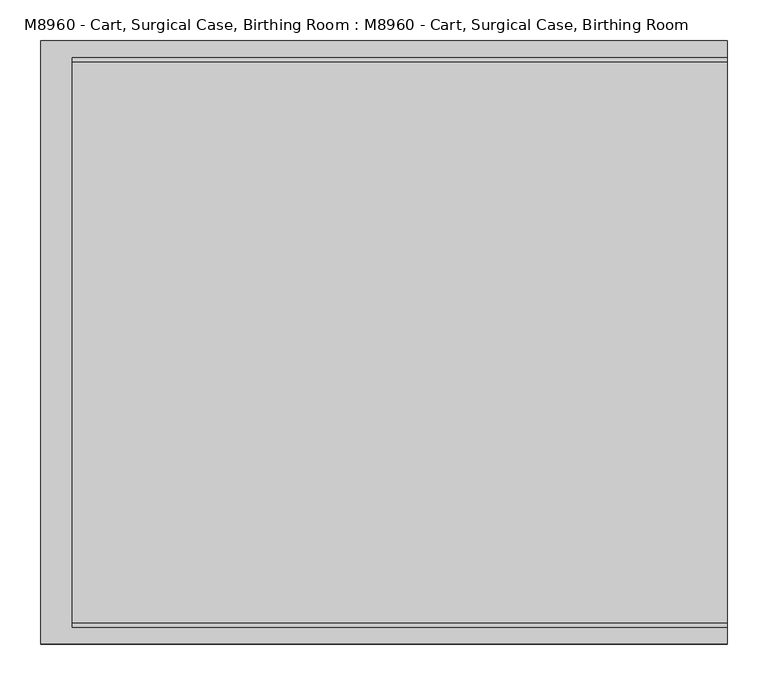
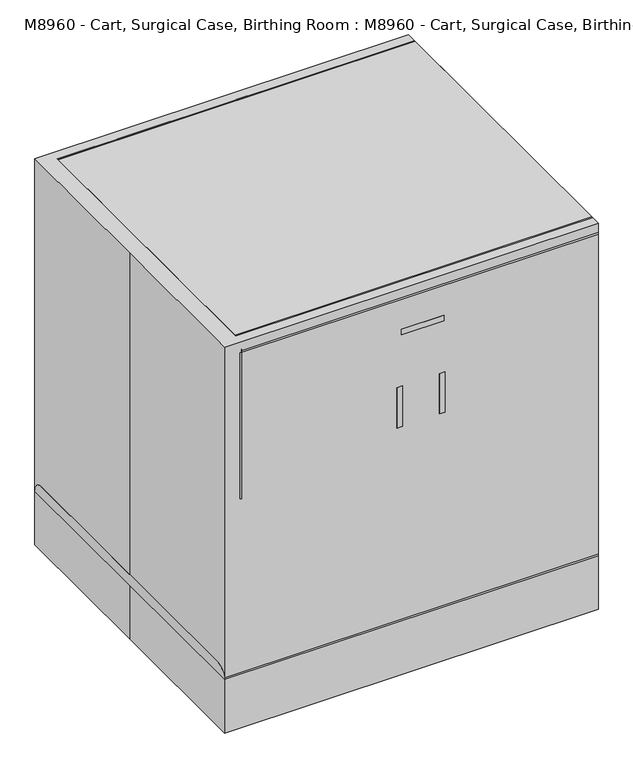
"""IFC4 building model written with IfcOpenShell, lengths in millimetres: proxy geometry, M8960 - Cart, Surgical Case, Birthing Room : M8960 - Cart, Surgical Case, Birthing Room."""

from ifc_helpers import new_model, si_unit, point, frame, frame_2d, origin, origin_with_axes, place, context, project, spatial, polyline, circle_curve, trimmed, segment, composite_curve, outline, extrude, source, transform, mapped, element, save


def m8960_cart_surgical_case_birthing_room_m8960_cart_surgical_49881326(model_context):
    return source(origin(), model_context, "Body", "SweptSolid", [
        extrude(outline(composite_curve([segment(trimmed(circle_curve(frame_2d((332.3166667, 288.9033546)), 16.9333333), [point((332.3166667, 305.8366879))], [point((332.3166667, 271.9700213))], False, "CARTESIAN"), True, "CONTINUOUS"), segment(trimmed(circle_curve(frame_2d((332.3166667, 288.9033546)), 16.9333333), [point((332.3166667, 271.9700213))], [point((332.3166667, 305.8366879))], False, "CARTESIAN"), True, "CONTINUOUS")], self_intersect=False)), frame((0.0, 0.0, 84.8149176), z_axis=(0.0, 0.0, 1.0), x_axis=(1.0, 0.0, 0.0)), (0.0, 0.0, 1.0), 42.1850824),
        extrude(outline(composite_curve([segment(trimmed(circle_curve(frame_2d((332.3166667, -285.7283546)), 16.9333333), [point((332.3166667, -302.6616879))], [point((332.3166667, -268.7950213))], False, "CARTESIAN"), True, "CONTINUOUS"), segment(trimmed(circle_curve(frame_2d((332.3166667, -285.7283546)), 16.9333333), [point((332.3166667, -268.7950213))], [point((332.3166667, -302.6616879))], False, "CARTESIAN"), True, "CONTINUOUS")], self_intersect=False)), frame((0.0, 0.0, 84.8149176), z_axis=(0.0, 0.0, 1.0), x_axis=(1.0, 0.0, 0.0)), (0.0, 0.0, 1.0), 42.1850824),
        extrude(outline(composite_curve([segment(trimmed(circle_curve(frame_2d((50.8, 349.25)), 50.8), [point((50.8, 298.45))], [point((50.8, 400.05))], False, "CARTESIAN"), True, "CONTINUOUS"), segment(trimmed(circle_curve(frame_2d((50.8, 349.25)), 50.8), [point((50.8, 400.05))], [point((50.8, 298.45))], False, "CARTESIAN"), True, "CONTINUOUS")], self_intersect=False)), frame((0.0, -266.7, 0.0), z_axis=(0.0, 1.0, 0.0), x_axis=(0.0, 0.0, 1.0)), (0.0, 0.0, 1.0), 19.05),
        extrude(outline(composite_curve([segment(trimmed(circle_curve(frame_2d((50.8, 349.25)), 50.8), [point((50.8, 298.45))], [point((50.8, 400.05))], False, "CARTESIAN"), True, "CONTINUOUS"), segment(trimmed(circle_curve(frame_2d((50.8, 349.25)), 50.8), [point((50.8, 400.05))], [point((50.8, 298.45))], False, "CARTESIAN"), True, "CONTINUOUS")], self_intersect=False)), frame((0.0, -323.85, 0.0), z_axis=(0.0, 1.0, 0.0), x_axis=(0.0, 0.0, 1.0)), (0.0, 0.0, 1.0), 19.05),
        extrude(outline(composite_curve([segment(trimmed(circle_curve(frame_2d((50.8, 349.25)), 33.8666667), [point((50.8, 383.1166667))], [point((50.8, 315.3833333))], False, "CARTESIAN"), True, "CONTINUOUS"), segment(trimmed(circle_curve(frame_2d((50.8, 349.25)), 33.8666667), [point((50.8, 315.3833333))], [point((50.8, 383.1166667))], False, "CARTESIAN"), True, "CONTINUOUS")], self_intersect=False)), frame((0.0, -304.8, 0.0), z_axis=(0.0, 1.0, 0.0), x_axis=(0.0, 0.0, 1.0)), (0.0, 0.0, 1.0), 38.1),
        extrude(outline(composite_curve([segment(trimmed(circle_curve(frame_2d((50.8, 349.25)), 50.8), [point((50.8, 298.45))], [point((50.8, 400.05))], False, "CARTESIAN"), True, "CONTINUOUS"), segment(trimmed(circle_curve(frame_2d((50.8, 349.25)), 50.8), [point((50.8, 400.05))], [point((50.8, 298.45))], False, "CARTESIAN"), True, "CONTINUOUS")], self_intersect=False)), frame((0.0, 250.6117179, 0.0), z_axis=(0.0, 1.0, 0.0), x_axis=(0.0, 0.0, 1.0)), (0.0, 0.0, 1.0), 19.05),
        extrude(outline(composite_curve([segment(trimmed(circle_curve(frame_2d((50.8, 349.25)), 50.8), [point((50.8, 298.45))], [point((50.8, 400.05))], False, "CARTESIAN"), True, "CONTINUOUS"), segment(trimmed(circle_curve(frame_2d((50.8, 349.25)), 50.8), [point((50.8, 400.05))], [point((50.8, 298.45))], False, "CARTESIAN"), True, "CONTINUOUS")], self_intersect=False)), frame((0.0, 307.7617179, 0.0), z_axis=(0.0, 1.0, 0.0), x_axis=(0.0, 0.0, 1.0)), (0.0, 0.0, 1.0), 19.05),
        extrude(outline(composite_curve([segment(trimmed(circle_curve(frame_2d((50.8, 349.25)), 33.8666667), [point((50.8, 383.1166667))], [point((50.8, 315.3833333))], False, "CARTESIAN"), True, "CONTINUOUS"), segment(trimmed(circle_curve(frame_2d((50.8, 349.25)), 33.8666667), [point((50.8, 315.3833333))], [point((50.8, 383.1166667))], False, "CARTESIAN"), True, "CONTINUOUS")], self_intersect=False)), frame((0.0, 269.6617179, 0.0), z_axis=(0.0, 1.0, 0.0), x_axis=(0.0, 0.0, 1.0)), (0.0, 0.0, 1.0), 38.1),
        extrude(outline(composite_curve([segment(trimmed(circle_curve(frame_2d((-328.0833333, 288.9033546)), 16.9333333), [point((-328.0833333, 305.8366879))], [point((-328.0833333, 271.9700213))], False, "CARTESIAN"), True, "CONTINUOUS"), segment(trimmed(circle_curve(frame_2d((-328.0833333, 288.9033546)), 16.9333333), [point((-328.0833333, 271.9700213))], [point((-328.0833333, 305.8366879))], False, "CARTESIAN"), True, "CONTINUOUS")], self_intersect=False)), frame((0.0, 0.0, 84.8149176), z_axis=(0.0, 0.0, 1.0), x_axis=(1.0, 0.0, 0.0)), (0.0, 0.0, 1.0), 42.1850824),
        extrude(outline(composite_curve([segment(trimmed(circle_curve(frame_2d((-328.0833333, -285.7283546)), 16.9333333), [point((-328.0833333, -302.6616879))], [point((-328.0833333, -268.7950213))], False, "CARTESIAN"), True, "CONTINUOUS"), segment(trimmed(circle_curve(frame_2d((-328.0833333, -285.7283546)), 16.9333333), [point((-328.0833333, -268.7950213))], [point((-328.0833333, -302.6616879))], False, "CARTESIAN"), True, "CONTINUOUS")], self_intersect=False)), frame((0.0, 0.0, 84.8149176), z_axis=(0.0, 0.0, 1.0), x_axis=(1.0, 0.0, 0.0)), (0.0, 0.0, 1.0), 42.1850824),
        extrude(outline(composite_curve([segment(trimmed(circle_curve(frame_2d((50.8, -311.15)), 50.8), [point((50.8, -361.95))], [point((50.8, -260.35))], False, "CARTESIAN"), True, "CONTINUOUS"), segment(trimmed(circle_curve(frame_2d((50.8, -311.15)), 50.8), [point((50.8, -260.35))], [point((50.8, -361.95))], False, "CARTESIAN"), True, "CONTINUOUS")], self_intersect=False)), frame((0.0, -266.7, 0.0), z_axis=(0.0, 1.0, 0.0), x_axis=(0.0, 0.0, 1.0)), (0.0, 0.0, 1.0), 19.05),
        extrude(outline(composite_curve([segment(trimmed(circle_curve(frame_2d((50.8, -311.15)), 50.8), [point((50.8, -361.95))], [point((50.8, -260.35))], False, "CARTESIAN"), True, "CONTINUOUS"), segment(trimmed(circle_curve(frame_2d((50.8, -311.15)), 50.8), [point((50.8, -260.35))], [point((50.8, -361.95))], False, "CARTESIAN"), True, "CONTINUOUS")], self_intersect=False)), frame((0.0, -323.85, 0.0), z_axis=(0.0, 1.0, 0.0), x_axis=(0.0, 0.0, 1.0)), (0.0, 0.0, 1.0), 19.05),
        extrude(outline(composite_curve([segment(trimmed(circle_curve(frame_2d((50.8, -311.15)), 33.8666667), [point((50.8, -277.2833333))], [point((50.8, -345.0166667))], False, "CARTESIAN"), True, "CONTINUOUS"), segment(trimmed(circle_curve(frame_2d((50.8, -311.15)), 33.8666667), [point((50.8, -345.0166667))], [point((50.8, -277.2833333))], False, "CARTESIAN"), True, "CONTINUOUS")], self_intersect=False)), frame((0.0, -304.8, 0.0), z_axis=(0.0, 1.0, 0.0), x_axis=(0.0, 0.0, 1.0)), (0.0, 0.0, 1.0), 38.1),
        extrude(outline(composite_curve([segment(trimmed(circle_curve(frame_2d((50.8, -311.15)), 50.8), [point((50.8, -361.95))], [point((50.8, -260.35))], False, "CARTESIAN"), True, "CONTINUOUS"), segment(trimmed(circle_curve(frame_2d((50.8, -311.15)), 50.8), [point((50.8, -260.35))], [point((50.8, -361.95))], False, "CARTESIAN"), True, "CONTINUOUS")], self_intersect=False)), frame((0.0, 250.6117179, 0.0), z_axis=(0.0, 1.0, 0.0), x_axis=(0.0, 0.0, 1.0)), (0.0, 0.0, 1.0), 19.05),
        extrude(outline(composite_curve([segment(trimmed(circle_curve(frame_2d((50.8, -311.15)), 50.8), [point((50.8, -361.95))], [point((50.8, -260.35))], False, "CARTESIAN"), True, "CONTINUOUS"), segment(trimmed(circle_curve(frame_2d((50.8, -311.15)), 50.8), [point((50.8, -260.35))], [point((50.8, -361.95))], False, "CARTESIAN"), True, "CONTINUOUS")], self_intersect=False)), frame((0.0, 307.7617179, 0.0), z_axis=(0.0, 1.0, 0.0), x_axis=(0.0, 0.0, 1.0)), (0.0, 0.0, 1.0), 19.05),
        extrude(outline(composite_curve([segment(trimmed(circle_curve(frame_2d((50.8, -311.15)), 33.8666667), [point((50.8, -277.2833333))], [point((50.8, -345.0166667))], False, "CARTESIAN"), True, "CONTINUOUS"), segment(trimmed(circle_curve(frame_2d((50.8, -311.15)), 33.8666667), [point((50.8, -345.0166667))], [point((50.8, -277.2833333))], False, "CARTESIAN"), True, "CONTINUOUS")], self_intersect=False)), frame((0.0, 269.6617179, 0.0), z_axis=(0.0, 1.0, 0.0), x_axis=(0.0, 0.0, 1.0)), (0.0, 0.0, 1.0), 38.1),
        extrude(outline(composite_curve([segment(polyline([(-406.4, -342.9), (-406.4, 342.9)]), True, "CONTINUOUS"), segment(trimmed(circle_curve(frame_2d((-381.0, 342.9)), 25.4), [point((-406.4, 342.9))], [point((-381.0, 368.3))], False, "CARTESIAN"), True, "CONTINUOUS"), segment(polyline([(-381.0, 368.3), (-381.0, -368.3)]), True, "CONTINUOUS"), segment(trimmed(circle_curve(frame_2d((-381.0, -342.9)), 25.4), [point((-381.0, -368.3))], [point((-406.4, -342.9))], False, "CARTESIAN"), True, "CONTINUOUS")], self_intersect=False)), frame((0.0, 0.0, 542.1710673), z_axis=(0.0, 0.0, 1.0), x_axis=(1.0, 0.0, 0.0)), (0.0, 0.0, 1.0), 346.8289327),
        extrude(outline(composite_curve([segment(polyline([(-342.9, 152.4), (342.9, 152.4)]), True, "CONTINUOUS"), segment(trimmed(circle_curve(frame_2d((342.9, 127.0)), 25.4), [point((342.9, 152.4))], [point((368.3, 127.0))], False, "CARTESIAN"), True, "CONTINUOUS"), segment(polyline([(368.3, 127.0), (-368.3, 127.0)]), True, "CONTINUOUS"), segment(trimmed(circle_curve(frame_2d((-342.9, 127.0)), 25.4), [point((-368.3, 127.0))], [point((-342.9, 152.4))], False, "CARTESIAN"), True, "CONTINUOUS")], self_intersect=False)), frame((-419.1, 0.0, 0.0), z_axis=(1.0, 0.0, 0.0), x_axis=(0.0, 1.0, 0.0)), (0.0, 0.0, 1.0), 838.2),
        extrude(outline(composite_curve([segment(polyline([(-342.9, 914.4), (342.9, 914.4)]), True, "CONTINUOUS"), segment(trimmed(circle_curve(frame_2d((342.9, 889.0)), 25.4), [point((342.9, 914.4))], [point((368.3, 889.0))], False, "CARTESIAN"), True, "CONTINUOUS"), segment(polyline([(368.3, 889.0), (-368.3, 889.0)]), True, "CONTINUOUS"), segment(trimmed(circle_curve(frame_2d((-342.9, 889.0)), 25.4), [point((-368.3, 889.0))], [point((-342.9, 914.4))], False, "CARTESIAN"), True, "CONTINUOUS")], self_intersect=False)), frame((-381.0, 0.0, 0.0), z_axis=(1.0, 0.0, 0.0), x_axis=(0.0, 1.0, 0.0)), (0.0, 0.0, 1.0), 800.1),
        extrude(outline(polyline([(19.8642031, -330.2), (-342.9, -330.2), (-342.9, -311.15), (19.8642031, -311.15), (19.8642031, -330.2)])), frame((0.0, 0.0, 152.4), z_axis=(0.0, 0.0, 1.0), x_axis=(1.0, 0.0, 0.0)), (0.0, 0.0, 1.0), 577.8825233),
        extrude(outline(polyline([(-22.225, -368.3), (-22.225, -330.2), (-9.5409299, -330.2), (-9.5409299, -355.6159299), (60.3409299, -355.6159299), (60.3409299, -330.2), (73.025, -330.2), (73.025, -368.3), (-22.225, -368.3)])), frame((0.0, 0.0, 804.8462383), z_axis=(0.0, 0.0, 1.0), x_axis=(1.0, 0.0, 0.0)), (0.0, 0.0, 1.0), 12.7),
        extrude(outline(polyline([(381.0, -330.2), (25.4, -330.2), (25.4, -311.15), (381.0, -311.15), (381.0, -330.2)])), frame((0.0, 0.0, 152.4), z_axis=(0.0, 0.0, 1.0), x_axis=(1.0, 0.0, 0.0)), (0.0, 0.0, 1.0), 577.8825233),
        extrude(outline(polyline([(-368.3, 587.3560937), (-368.3, 682.6060937), (-330.2, 682.6060937), (-330.2, 669.9220236), (-355.6159299, 669.9220236), (-355.6159299, 600.0401637), (-330.2, 600.0401637), (-330.2, 587.3560937), (-368.3, 587.3560937)])), frame((63.2065288, 0.0, 0.0), z_axis=(1.0, 0.0, 0.0), x_axis=(0.0, 1.0, 0.0)), (0.0, 0.0, 1.0), 12.7),
        extrude(outline(polyline([(-368.3, 587.3560937), (-368.3, 682.6060937), (-330.2, 682.6060937), (-330.2, 669.9220236), (-355.6159299, 669.9220236), (-355.6159299, 600.0401637), (-330.2, 600.0401637), (-330.2, 587.3560937), (-368.3, 587.3560937)])), frame((-32.0434712, 0.0, 0.0), z_axis=(1.0, 0.0, 0.0), x_axis=(0.0, 1.0, 0.0)), (0.0, 0.0, 1.0), 12.7),
        extrude(outline(polyline([(-419.1, 368.3), (419.1, 368.3), (419.1, -368.3), (-419.1, -368.3), (-419.1, 0.0), (-419.1, 368.3)])), origin_with_axes(), (0.0, 0.0, 1.0), 914.4),
        extrude(outline(polyline([(361.95, -311.15), (361.95, 311.15), (381.0, 311.15), (381.0, -311.15), (361.95, -311.15)])), frame((0.0, 0.0, 152.4), z_axis=(0.0, 0.0, 1.0), x_axis=(1.0, 0.0, 0.0)), (0.0, 0.0, 1.0), 736.6),
        extrude(outline(polyline([(-342.9, -311.15), (-342.9, 311.15), (-323.85, 311.15), (-323.85, -311.15), (-342.9, -311.15)])), frame((0.0, 0.0, 152.4), z_axis=(0.0, 0.0, 1.0), x_axis=(1.0, 0.0, 0.0)), (0.0, 0.0, 1.0), 736.6),
        extrude(outline(polyline([(381.0, -330.2), (-342.9, -330.2), (-342.9, -311.15), (381.0, -311.15), (381.0, -330.2)])), frame((0.0, 0.0, 736.6), z_axis=(0.0, 0.0, 1.0), x_axis=(1.0, 0.0, 0.0)), (0.0, 0.0, 1.0), 152.4),
        extrude(outline(polyline([(381.0, 311.15), (-342.9, 311.15), (-342.9, 330.2), (381.0, 330.2), (381.0, 311.15)])), frame((0.0, 0.0, 152.4), z_axis=(0.0, 0.0, 1.0), x_axis=(1.0, 0.0, 0.0)), (0.0, 0.0, 1.0), 736.6),
    ])


if __name__ == "__main__":
    model = new_model("IFC4")
    model_context = context("Model", 3, world=origin())
    ifc_project = project(units=[si_unit("LENGTHUNIT", "METRE", prefix="MILLI")], contexts=[model_context])
    site = spatial("IfcSite", under=ifc_project)
    building = spatial("IfcBuilding", under=site)
    placement = place(None, origin())
    m8960_cart_surgical_case_birthing_room_m8960_cart_surgical_shape = m8960_cart_surgical_case_birthing_room_m8960_cart_surgical_49881326(model_context)
    element("IfcBuildingElementProxy", 1, Name="M8960 - Cart, Surgical Case, Birthing Room : M8960 - Cart, Surgical Case, Birthing Room", ObjectType="M8960 - Cart, Surgical Case, Birthing Room : M8960 - Cart, Surgical Case, Birthing Room", at=placement, inside=building, context=model_context, shape_type="MappedRepresentation", body=[
        mapped(m8960_cart_surgical_case_birthing_room_m8960_cart_surgical_shape, transform((0.0, 0.0, 0.0), x_axis=(1.0, 0.0, 0.0), y_axis=(0.0, 1.0, 0.0), z_axis=(0.0, 0.0, 1.0))),
    ])
    save(model, "model.ifc")
